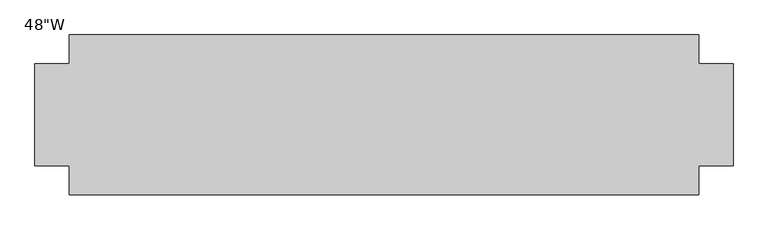
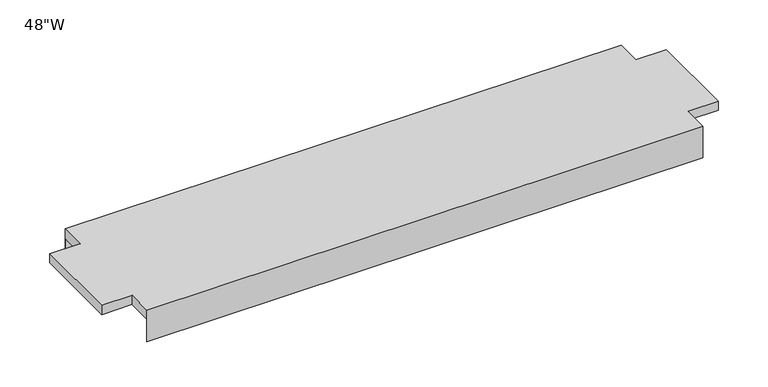
"""IFC4 building model written with IfcOpenShell, lengths in millimetres: furniture geometry."""

from ifc_helpers import new_model, si_unit, origin, place, context, project, spatial, faceted_brep, source, transform, mapped, element, save


def furniture_ccc34a2e(model_context):
    return source(origin(), model_context, "Body", "Brep", [
        faceted_brep([(549.2750121, 11.1125, 1609.725), (549.2750121, 12.7, 1609.725), (549.2750121, 12.7, 1676.4), (549.2750121, -38.1, 1676.4), (549.2750121, -38.1, 1657.35), (549.2750121, -215.9, 1657.35), (549.2750121, -215.9, 1676.4), (549.2750121, -266.7, 1676.4), (549.2750121, -266.7, 1609.725), (549.2750121, -265.1125, 1609.725), (549.2750121, -265.1125, 1655.7625), (549.2750121, 11.1125, 1655.7625), (-549.2749985, 11.1125, 1609.725), (-549.2749985, 11.1125, 1655.7625), (-549.2749985, -265.1125, 1655.7625), (-549.2749985, -265.1125, 1609.725), (-549.2749985, -266.7, 1609.725), (-549.2749985, -266.7, 1676.4), (-549.2749985, -215.9, 1676.4), (-549.2749985, -215.9, 1657.35), (-549.2749985, -38.1, 1657.35), (-549.2749985, -38.1, 1676.4), (-549.2749985, 12.7, 1676.4), (-549.2749985, 12.7, 1609.725), (-609.6, -38.1, 1676.4), (-609.6, -215.9, 1676.4), (609.6, -215.9, 1676.4), (609.6, -38.1, 1676.4), (609.6, -38.1, 1657.35), (609.6, -215.9, 1657.35), (-609.6, -215.9, 1657.35), (-609.6, -38.1, 1657.35)], [[[0, 1, 2, 3, 4, 5, 6, 7, 8, 9, 10, 11]], [[12, 13, 14, 15, 16, 17, 18, 19, 20, 21, 22, 23]], [[1, 0, 12, 23]], [[2, 1, 23, 22]], [[8, 7, 17, 16]], [[9, 8, 16, 15]], [[10, 9, 15, 14]], [[11, 10, 14, 13]], [[0, 11, 13, 12]], [[22, 21, 24, 25, 18, 17, 7, 6, 26, 27, 3, 2]], [[4, 28, 29, 5]], [[19, 30, 31, 20]], [[24, 21, 20, 31]], [[25, 24, 31, 30]], [[18, 25, 30, 19]], [[26, 6, 5, 29]], [[27, 26, 29, 28]], [[3, 27, 28, 4]]]),
    ])


if __name__ == "__main__":
    model = new_model("IFC4")
    model_context = context("Model", 3, world=origin())
    ifc_project = project(units=[si_unit("LENGTHUNIT", "METRE", prefix="MILLI")], contexts=[model_context])
    site = spatial("IfcSite", under=ifc_project)
    building = spatial("IfcBuilding", under=site)
    placement = place(None, origin())
    furniture_shape = furniture_ccc34a2e(model_context)
    element("IfcFurniture", 1, ObjectType="48\"W", at=placement, inside=building, context=model_context, shape_type="MappedRepresentation", body=[
        mapped(furniture_shape, transform((0.0, 0.0, 0.0), x_axis=(1.0, 0.0, 0.0), y_axis=(0.0, 1.0, 0.0), z_axis=(0.0, 0.0, 1.0))),
    ])
    save(model, "model.ifc")
